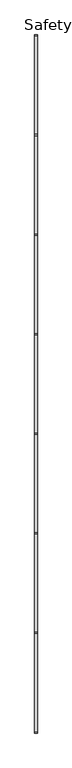
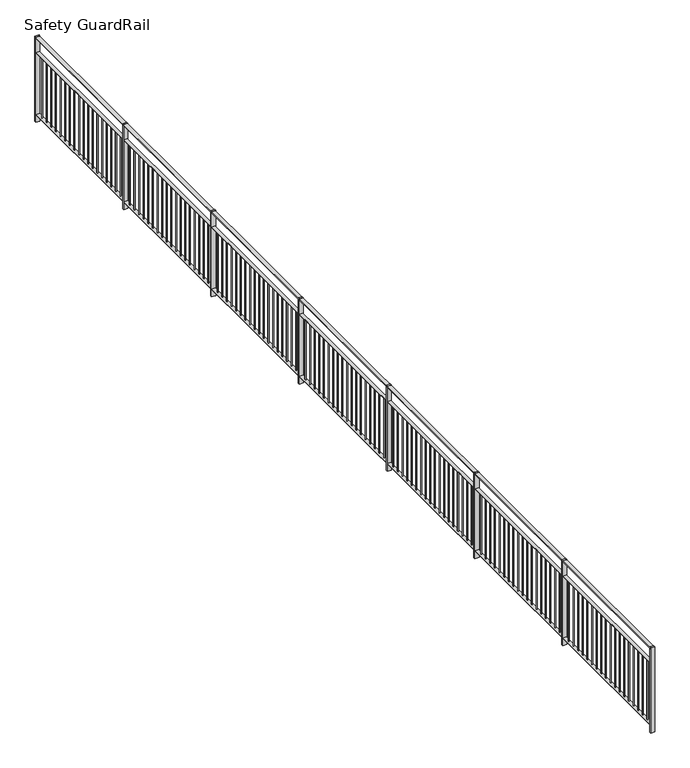
"""IFC4 building model written with IfcOpenShell, lengths in millimetres: railing geometry, Safety GuardRail."""

from ifc_helpers import new_model, si_unit, point, frame, frame_2d, origin, origin_with_axes, place, context, project, spatial, polyline, circle_curve, trimmed, segment, composite_curve, outline, extrude, source, transform, mapped, element, save


def safety_guardrail_ab4735ca(model_context):
    return source(origin(), model_context, "Body", "SweptSolid", [
        extrude(outline(composite_curve([segment(polyline([(1085.0, -7623.1278716), (1092.5, -7623.1278716)]), True, "CONTINUOUS"), segment(trimmed(circle_curve(frame_2d((1032.5, -7648.1278716)), 65.0), [point((1092.5, -7623.1278716))], [point((1092.5, -7673.1278716))], False, "CARTESIAN"), True, "CONTINUOUS"), segment(polyline([(1092.5, -7673.1278716), (1085.0, -7673.1278716), (1085.0, -7623.1278716)]), True, "CONTINUOUS")], self_intersect=False)), frame((0.0, -42074.4215594, 0.0), z_axis=(0.0, 1.0, 0.0), x_axis=(0.0, 0.0, 1.0)), (0.0, 0.0, 1.0), 13000.0),
        extrude(outline(polyline([(-7628.1278716, -42074.4215594), (-7668.1278716, -42074.4215594), (-7668.1278716, -29074.4215594), (-7628.1278716, -29074.4215594), (-7628.1278716, -42074.4215594)])), frame((0.0, 0.0, 892.0), z_axis=(0.0, 0.0, 1.0), x_axis=(1.0, 0.0, 0.0)), (0.0, 0.0, 1.0), 8.0),
        extrude(outline(polyline([(-7628.1278716, -42074.4215594), (-7668.1278716, -42074.4215594), (-7668.1278716, -29074.4215594), (-7628.1278716, -29074.4215594), (-7628.1278716, -42074.4215594)])), frame((0.0, 0.0, 92.0), z_axis=(0.0, 0.0, 1.0), x_axis=(1.0, 0.0, 0.0)), (0.0, 0.0, 1.0), 8.0),
        extrude(outline(polyline([(-7644.1278716, -29176.1659203), (-7652.1278716, -29176.1659203), (-7652.1278716, -29168.1659203), (-7644.1278716, -29168.1659203), (-7644.1278716, -29176.1659203)])), frame((0.0, 0.0, 100.0), z_axis=(0.0, 0.0, 1.0), x_axis=(1.0, 0.0, 0.0)), (0.0, 0.0, 1.0), 792.0),
        extrude(outline(polyline([(-7644.1278716, -29273.9102812), (-7652.1278716, -29273.9102812), (-7652.1278716, -29265.9102812), (-7644.1278716, -29265.9102812), (-7644.1278716, -29273.9102812)])), frame((0.0, 0.0, 100.0), z_axis=(0.0, 0.0, 1.0), x_axis=(1.0, 0.0, 0.0)), (0.0, 0.0, 1.0), 792.0),
        extrude(outline(polyline([(-7644.1278716, -29371.6546421), (-7652.1278716, -29371.6546421), (-7652.1278716, -29363.6546421), (-7644.1278716, -29363.6546421), (-7644.1278716, -29371.6546421)])), frame((0.0, 0.0, 100.0), z_axis=(0.0, 0.0, 1.0), x_axis=(1.0, 0.0, 0.0)), (0.0, 0.0, 1.0), 792.0),
        extrude(outline(polyline([(-7644.1278716, -29469.399003), (-7652.1278716, -29469.399003), (-7652.1278716, -29461.399003), (-7644.1278716, -29461.399003), (-7644.1278716, -29469.399003)])), frame((0.0, 0.0, 100.0), z_axis=(0.0, 0.0, 1.0), x_axis=(1.0, 0.0, 0.0)), (0.0, 0.0, 1.0), 792.0),
        extrude(outline(polyline([(-7644.1278716, -29567.1433639), (-7652.1278716, -29567.1433639), (-7652.1278716, -29559.1433639), (-7644.1278716, -29559.1433639), (-7644.1278716, -29567.1433639)])), frame((0.0, 0.0, 100.0), z_axis=(0.0, 0.0, 1.0), x_axis=(1.0, 0.0, 0.0)), (0.0, 0.0, 1.0), 792.0),
        extrude(outline(polyline([(-7644.1278716, -29664.8877248), (-7652.1278716, -29664.8877248), (-7652.1278716, -29656.8877248), (-7644.1278716, -29656.8877248), (-7644.1278716, -29664.8877248)])), frame((0.0, 0.0, 100.0), z_axis=(0.0, 0.0, 1.0), x_axis=(1.0, 0.0, 0.0)), (0.0, 0.0, 1.0), 792.0),
        extrude(outline(polyline([(-7644.1278716, -29762.6320857), (-7652.1278716, -29762.6320857), (-7652.1278716, -29754.6320857), (-7644.1278716, -29754.6320857), (-7644.1278716, -29762.6320857)])), frame((0.0, 0.0, 100.0), z_axis=(0.0, 0.0, 1.0), x_axis=(1.0, 0.0, 0.0)), (0.0, 0.0, 1.0), 792.0),
        extrude(outline(polyline([(-7644.1278716, -29860.3764466), (-7652.1278716, -29860.3764466), (-7652.1278716, -29852.3764466), (-7644.1278716, -29852.3764466), (-7644.1278716, -29860.3764466)])), frame((0.0, 0.0, 100.0), z_axis=(0.0, 0.0, 1.0), x_axis=(1.0, 0.0, 0.0)), (0.0, 0.0, 1.0), 792.0),
        extrude(outline(polyline([(-7644.1278716, -29958.1208075), (-7652.1278716, -29958.1208075), (-7652.1278716, -29950.1208075), (-7644.1278716, -29950.1208075), (-7644.1278716, -29958.1208075)])), frame((0.0, 0.0, 100.0), z_axis=(0.0, 0.0, 1.0), x_axis=(1.0, 0.0, 0.0)), (0.0, 0.0, 1.0), 792.0),
        extrude(outline(polyline([(-7644.1278716, -30055.8651684), (-7652.1278716, -30055.8651684), (-7652.1278716, -30047.8651684), (-7644.1278716, -30047.8651684), (-7644.1278716, -30055.8651684)])), frame((0.0, 0.0, 100.0), z_axis=(0.0, 0.0, 1.0), x_axis=(1.0, 0.0, 0.0)), (0.0, 0.0, 1.0), 792.0),
        extrude(outline(polyline([(-7644.1278716, -30153.6095293), (-7652.1278716, -30153.6095293), (-7652.1278716, -30145.6095293), (-7644.1278716, -30145.6095293), (-7644.1278716, -30153.6095293)])), frame((0.0, 0.0, 100.0), z_axis=(0.0, 0.0, 1.0), x_axis=(1.0, 0.0, 0.0)), (0.0, 0.0, 1.0), 792.0),
        extrude(outline(polyline([(-7644.1278716, -30251.3538903), (-7652.1278716, -30251.3538903), (-7652.1278716, -30243.3538903), (-7644.1278716, -30243.3538903), (-7644.1278716, -30251.3538903)])), frame((0.0, 0.0, 100.0), z_axis=(0.0, 0.0, 1.0), x_axis=(1.0, 0.0, 0.0)), (0.0, 0.0, 1.0), 792.0),
        extrude(outline(polyline([(-7644.1278716, -30349.0982512), (-7652.1278716, -30349.0982512), (-7652.1278716, -30341.0982512), (-7644.1278716, -30341.0982512), (-7644.1278716, -30349.0982512)])), frame((0.0, 0.0, 100.0), z_axis=(0.0, 0.0, 1.0), x_axis=(1.0, 0.0, 0.0)), (0.0, 0.0, 1.0), 792.0),
        extrude(outline(polyline([(-7644.1278716, -30446.8426121), (-7652.1278716, -30446.8426121), (-7652.1278716, -30438.8426121), (-7644.1278716, -30438.8426121), (-7644.1278716, -30446.8426121)])), frame((0.0, 0.0, 100.0), z_axis=(0.0, 0.0, 1.0), x_axis=(1.0, 0.0, 0.0)), (0.0, 0.0, 1.0), 792.0),
        extrude(outline(polyline([(-7644.1278716, -30544.586973), (-7652.1278716, -30544.586973), (-7652.1278716, -30536.586973), (-7644.1278716, -30536.586973), (-7644.1278716, -30544.586973)])), frame((0.0, 0.0, 100.0), z_axis=(0.0, 0.0, 1.0), x_axis=(1.0, 0.0, 0.0)), (0.0, 0.0, 1.0), 792.0),
        extrude(outline(polyline([(-7644.1278716, -30642.3313339), (-7652.1278716, -30642.3313339), (-7652.1278716, -30634.3313339), (-7644.1278716, -30634.3313339), (-7644.1278716, -30642.3313339)])), frame((0.0, 0.0, 100.0), z_axis=(0.0, 0.0, 1.0), x_axis=(1.0, 0.0, 0.0)), (0.0, 0.0, 1.0), 792.0),
        extrude(outline(polyline([(-7644.1278716, -30740.0756948), (-7652.1278716, -30740.0756948), (-7652.1278716, -30732.0756948), (-7644.1278716, -30732.0756948), (-7644.1278716, -30740.0756948)])), frame((0.0, 0.0, 100.0), z_axis=(0.0, 0.0, 1.0), x_axis=(1.0, 0.0, 0.0)), (0.0, 0.0, 1.0), 792.0),
        extrude(outline(polyline([(-7644.1278716, -30837.8200557), (-7652.1278716, -30837.8200557), (-7652.1278716, -30829.8200557), (-7644.1278716, -30829.8200557), (-7644.1278716, -30837.8200557)])), frame((0.0, 0.0, 100.0), z_axis=(0.0, 0.0, 1.0), x_axis=(1.0, 0.0, 0.0)), (0.0, 0.0, 1.0), 792.0),
        extrude(outline(polyline([(-7623.1278716, -30941.5644166), (-7673.1278716, -30941.5644166), (-7673.1278716, -30921.5644166), (-7623.1278716, -30921.5644166), (-7623.1278716, -30941.5644166)])), origin_with_axes(), (0.0, 0.0, 1.0), 1100.0),
        extrude(outline(polyline([(-7644.1278716, -31033.3087775), (-7652.1278716, -31033.3087775), (-7652.1278716, -31025.3087775), (-7644.1278716, -31025.3087775), (-7644.1278716, -31033.3087775)])), frame((0.0, 0.0, 100.0), z_axis=(0.0, 0.0, 1.0), x_axis=(1.0, 0.0, 0.0)), (0.0, 0.0, 1.0), 792.0),
        extrude(outline(polyline([(-7644.1278716, -31131.0531384), (-7652.1278716, -31131.0531384), (-7652.1278716, -31123.0531384), (-7644.1278716, -31123.0531384), (-7644.1278716, -31131.0531384)])), frame((0.0, 0.0, 100.0), z_axis=(0.0, 0.0, 1.0), x_axis=(1.0, 0.0, 0.0)), (0.0, 0.0, 1.0), 792.0),
        extrude(outline(polyline([(-7644.1278716, -31228.7974993), (-7652.1278716, -31228.7974993), (-7652.1278716, -31220.7974993), (-7644.1278716, -31220.7974993), (-7644.1278716, -31228.7974993)])), frame((0.0, 0.0, 100.0), z_axis=(0.0, 0.0, 1.0), x_axis=(1.0, 0.0, 0.0)), (0.0, 0.0, 1.0), 792.0),
        extrude(outline(polyline([(-7644.1278716, -31326.5418602), (-7652.1278716, -31326.5418602), (-7652.1278716, -31318.5418602), (-7644.1278716, -31318.5418602), (-7644.1278716, -31326.5418602)])), frame((0.0, 0.0, 100.0), z_axis=(0.0, 0.0, 1.0), x_axis=(1.0, 0.0, 0.0)), (0.0, 0.0, 1.0), 792.0),
        extrude(outline(polyline([(-7644.1278716, -31424.2862211), (-7652.1278716, -31424.2862211), (-7652.1278716, -31416.2862211), (-7644.1278716, -31416.2862211), (-7644.1278716, -31424.2862211)])), frame((0.0, 0.0, 100.0), z_axis=(0.0, 0.0, 1.0), x_axis=(1.0, 0.0, 0.0)), (0.0, 0.0, 1.0), 792.0),
        extrude(outline(polyline([(-7644.1278716, -31522.030582), (-7652.1278716, -31522.030582), (-7652.1278716, -31514.030582), (-7644.1278716, -31514.030582), (-7644.1278716, -31522.030582)])), frame((0.0, 0.0, 100.0), z_axis=(0.0, 0.0, 1.0), x_axis=(1.0, 0.0, 0.0)), (0.0, 0.0, 1.0), 792.0),
        extrude(outline(polyline([(-7644.1278716, -31619.7749429), (-7652.1278716, -31619.7749429), (-7652.1278716, -31611.7749429), (-7644.1278716, -31611.7749429), (-7644.1278716, -31619.7749429)])), frame((0.0, 0.0, 100.0), z_axis=(0.0, 0.0, 1.0), x_axis=(1.0, 0.0, 0.0)), (0.0, 0.0, 1.0), 792.0),
        extrude(outline(polyline([(-7644.1278716, -31717.5193038), (-7652.1278716, -31717.5193038), (-7652.1278716, -31709.5193038), (-7644.1278716, -31709.5193038), (-7644.1278716, -31717.5193038)])), frame((0.0, 0.0, 100.0), z_axis=(0.0, 0.0, 1.0), x_axis=(1.0, 0.0, 0.0)), (0.0, 0.0, 1.0), 792.0),
        extrude(outline(polyline([(-7644.1278716, -31815.2636647), (-7652.1278716, -31815.2636647), (-7652.1278716, -31807.2636647), (-7644.1278716, -31807.2636647), (-7644.1278716, -31815.2636647)])), frame((0.0, 0.0, 100.0), z_axis=(0.0, 0.0, 1.0), x_axis=(1.0, 0.0, 0.0)), (0.0, 0.0, 1.0), 792.0),
        extrude(outline(polyline([(-7644.1278716, -31913.0080256), (-7652.1278716, -31913.0080256), (-7652.1278716, -31905.0080256), (-7644.1278716, -31905.0080256), (-7644.1278716, -31913.0080256)])), frame((0.0, 0.0, 100.0), z_axis=(0.0, 0.0, 1.0), x_axis=(1.0, 0.0, 0.0)), (0.0, 0.0, 1.0), 792.0),
        extrude(outline(polyline([(-7644.1278716, -32010.7523865), (-7652.1278716, -32010.7523865), (-7652.1278716, -32002.7523865), (-7644.1278716, -32002.7523865), (-7644.1278716, -32010.7523865)])), frame((0.0, 0.0, 100.0), z_axis=(0.0, 0.0, 1.0), x_axis=(1.0, 0.0, 0.0)), (0.0, 0.0, 1.0), 792.0),
        extrude(outline(polyline([(-7644.1278716, -32108.4967474), (-7652.1278716, -32108.4967474), (-7652.1278716, -32100.4967474), (-7644.1278716, -32100.4967474), (-7644.1278716, -32108.4967474)])), frame((0.0, 0.0, 100.0), z_axis=(0.0, 0.0, 1.0), x_axis=(1.0, 0.0, 0.0)), (0.0, 0.0, 1.0), 792.0),
        extrude(outline(polyline([(-7644.1278716, -32206.2411083), (-7652.1278716, -32206.2411083), (-7652.1278716, -32198.2411083), (-7644.1278716, -32198.2411083), (-7644.1278716, -32206.2411083)])), frame((0.0, 0.0, 100.0), z_axis=(0.0, 0.0, 1.0), x_axis=(1.0, 0.0, 0.0)), (0.0, 0.0, 1.0), 792.0),
        extrude(outline(polyline([(-7644.1278716, -32303.9854692), (-7652.1278716, -32303.9854692), (-7652.1278716, -32295.9854692), (-7644.1278716, -32295.9854692), (-7644.1278716, -32303.9854692)])), frame((0.0, 0.0, 100.0), z_axis=(0.0, 0.0, 1.0), x_axis=(1.0, 0.0, 0.0)), (0.0, 0.0, 1.0), 792.0),
        extrude(outline(polyline([(-7644.1278716, -32401.7298301), (-7652.1278716, -32401.7298301), (-7652.1278716, -32393.7298301), (-7644.1278716, -32393.7298301), (-7644.1278716, -32401.7298301)])), frame((0.0, 0.0, 100.0), z_axis=(0.0, 0.0, 1.0), x_axis=(1.0, 0.0, 0.0)), (0.0, 0.0, 1.0), 792.0),
        extrude(outline(polyline([(-7644.1278716, -32499.474191), (-7652.1278716, -32499.474191), (-7652.1278716, -32491.474191), (-7644.1278716, -32491.474191), (-7644.1278716, -32499.474191)])), frame((0.0, 0.0, 100.0), z_axis=(0.0, 0.0, 1.0), x_axis=(1.0, 0.0, 0.0)), (0.0, 0.0, 1.0), 792.0),
        extrude(outline(polyline([(-7644.1278716, -32597.2185519), (-7652.1278716, -32597.2185519), (-7652.1278716, -32589.2185519), (-7644.1278716, -32589.2185519), (-7644.1278716, -32597.2185519)])), frame((0.0, 0.0, 100.0), z_axis=(0.0, 0.0, 1.0), x_axis=(1.0, 0.0, 0.0)), (0.0, 0.0, 1.0), 792.0),
        extrude(outline(polyline([(-7644.1278716, -32694.9629128), (-7652.1278716, -32694.9629128), (-7652.1278716, -32686.9629128), (-7644.1278716, -32686.9629128), (-7644.1278716, -32694.9629128)])), frame((0.0, 0.0, 100.0), z_axis=(0.0, 0.0, 1.0), x_axis=(1.0, 0.0, 0.0)), (0.0, 0.0, 1.0), 792.0),
        extrude(outline(polyline([(-7623.1278716, -32798.7072737), (-7673.1278716, -32798.7072737), (-7673.1278716, -32778.7072737), (-7623.1278716, -32778.7072737), (-7623.1278716, -32798.7072737)])), origin_with_axes(), (0.0, 0.0, 1.0), 1100.0),
        extrude(outline(polyline([(-7644.1278716, -32890.4516346), (-7652.1278716, -32890.4516346), (-7652.1278716, -32882.4516346), (-7644.1278716, -32882.4516346), (-7644.1278716, -32890.4516346)])), frame((0.0, 0.0, 100.0), z_axis=(0.0, 0.0, 1.0), x_axis=(1.0, 0.0, 0.0)), (0.0, 0.0, 1.0), 792.0),
        extrude(outline(polyline([(-7644.1278716, -32988.1959955), (-7652.1278716, -32988.1959955), (-7652.1278716, -32980.1959955), (-7644.1278716, -32980.1959955), (-7644.1278716, -32988.1959955)])), frame((0.0, 0.0, 100.0), z_axis=(0.0, 0.0, 1.0), x_axis=(1.0, 0.0, 0.0)), (0.0, 0.0, 1.0), 792.0),
        extrude(outline(polyline([(-7644.1278716, -33085.9403564), (-7652.1278716, -33085.9403564), (-7652.1278716, -33077.9403564), (-7644.1278716, -33077.9403564), (-7644.1278716, -33085.9403564)])), frame((0.0, 0.0, 100.0), z_axis=(0.0, 0.0, 1.0), x_axis=(1.0, 0.0, 0.0)), (0.0, 0.0, 1.0), 792.0),
        extrude(outline(polyline([(-7644.1278716, -33183.6847173), (-7652.1278716, -33183.6847173), (-7652.1278716, -33175.6847173), (-7644.1278716, -33175.6847173), (-7644.1278716, -33183.6847173)])), frame((0.0, 0.0, 100.0), z_axis=(0.0, 0.0, 1.0), x_axis=(1.0, 0.0, 0.0)), (0.0, 0.0, 1.0), 792.0),
        extrude(outline(polyline([(-7644.1278716, -33281.4290782), (-7652.1278716, -33281.4290782), (-7652.1278716, -33273.4290782), (-7644.1278716, -33273.4290782), (-7644.1278716, -33281.4290782)])), frame((0.0, 0.0, 100.0), z_axis=(0.0, 0.0, 1.0), x_axis=(1.0, 0.0, 0.0)), (0.0, 0.0, 1.0), 792.0),
        extrude(outline(polyline([(-7644.1278716, -33379.1734391), (-7652.1278716, -33379.1734391), (-7652.1278716, -33371.1734391), (-7644.1278716, -33371.1734391), (-7644.1278716, -33379.1734391)])), frame((0.0, 0.0, 100.0), z_axis=(0.0, 0.0, 1.0), x_axis=(1.0, 0.0, 0.0)), (0.0, 0.0, 1.0), 792.0),
        extrude(outline(polyline([(-7644.1278716, -33476.9178), (-7652.1278716, -33476.9178), (-7652.1278716, -33468.9178), (-7644.1278716, -33468.9178), (-7644.1278716, -33476.9178)])), frame((0.0, 0.0, 100.0), z_axis=(0.0, 0.0, 1.0), x_axis=(1.0, 0.0, 0.0)), (0.0, 0.0, 1.0), 792.0),
        extrude(outline(polyline([(-7644.1278716, -33574.6621609), (-7652.1278716, -33574.6621609), (-7652.1278716, -33566.6621609), (-7644.1278716, -33566.6621609), (-7644.1278716, -33574.6621609)])), frame((0.0, 0.0, 100.0), z_axis=(0.0, 0.0, 1.0), x_axis=(1.0, 0.0, 0.0)), (0.0, 0.0, 1.0), 792.0),
        extrude(outline(polyline([(-7644.1278716, -33672.4065218), (-7652.1278716, -33672.4065218), (-7652.1278716, -33664.4065218), (-7644.1278716, -33664.4065218), (-7644.1278716, -33672.4065218)])), frame((0.0, 0.0, 100.0), z_axis=(0.0, 0.0, 1.0), x_axis=(1.0, 0.0, 0.0)), (0.0, 0.0, 1.0), 792.0),
        extrude(outline(polyline([(-7644.1278716, -33770.1508827), (-7652.1278716, -33770.1508827), (-7652.1278716, -33762.1508827), (-7644.1278716, -33762.1508827), (-7644.1278716, -33770.1508827)])), frame((0.0, 0.0, 100.0), z_axis=(0.0, 0.0, 1.0), x_axis=(1.0, 0.0, 0.0)), (0.0, 0.0, 1.0), 792.0),
        extrude(outline(polyline([(-7644.1278716, -33867.8952436), (-7652.1278716, -33867.8952436), (-7652.1278716, -33859.8952436), (-7644.1278716, -33859.8952436), (-7644.1278716, -33867.8952436)])), frame((0.0, 0.0, 100.0), z_axis=(0.0, 0.0, 1.0), x_axis=(1.0, 0.0, 0.0)), (0.0, 0.0, 1.0), 792.0),
        extrude(outline(polyline([(-7644.1278716, -33965.6396045), (-7652.1278716, -33965.6396045), (-7652.1278716, -33957.6396045), (-7644.1278716, -33957.6396045), (-7644.1278716, -33965.6396045)])), frame((0.0, 0.0, 100.0), z_axis=(0.0, 0.0, 1.0), x_axis=(1.0, 0.0, 0.0)), (0.0, 0.0, 1.0), 792.0),
        extrude(outline(polyline([(-7644.1278716, -34063.3839654), (-7652.1278716, -34063.3839654), (-7652.1278716, -34055.3839654), (-7644.1278716, -34055.3839654), (-7644.1278716, -34063.3839654)])), frame((0.0, 0.0, 100.0), z_axis=(0.0, 0.0, 1.0), x_axis=(1.0, 0.0, 0.0)), (0.0, 0.0, 1.0), 792.0),
        extrude(outline(polyline([(-7644.1278716, -34161.1283263), (-7652.1278716, -34161.1283263), (-7652.1278716, -34153.1283263), (-7644.1278716, -34153.1283263), (-7644.1278716, -34161.1283263)])), frame((0.0, 0.0, 100.0), z_axis=(0.0, 0.0, 1.0), x_axis=(1.0, 0.0, 0.0)), (0.0, 0.0, 1.0), 792.0),
        extrude(outline(polyline([(-7644.1278716, -34258.8726872), (-7652.1278716, -34258.8726872), (-7652.1278716, -34250.8726872), (-7644.1278716, -34250.8726872), (-7644.1278716, -34258.8726872)])), frame((0.0, 0.0, 100.0), z_axis=(0.0, 0.0, 1.0), x_axis=(1.0, 0.0, 0.0)), (0.0, 0.0, 1.0), 792.0),
        extrude(outline(polyline([(-7644.1278716, -34356.6170481), (-7652.1278716, -34356.6170481), (-7652.1278716, -34348.6170481), (-7644.1278716, -34348.6170481), (-7644.1278716, -34356.6170481)])), frame((0.0, 0.0, 100.0), z_axis=(0.0, 0.0, 1.0), x_axis=(1.0, 0.0, 0.0)), (0.0, 0.0, 1.0), 792.0),
        extrude(outline(polyline([(-7644.1278716, -34454.361409), (-7652.1278716, -34454.361409), (-7652.1278716, -34446.361409), (-7644.1278716, -34446.361409), (-7644.1278716, -34454.361409)])), frame((0.0, 0.0, 100.0), z_axis=(0.0, 0.0, 1.0), x_axis=(1.0, 0.0, 0.0)), (0.0, 0.0, 1.0), 792.0),
        extrude(outline(polyline([(-7644.1278716, -34552.10577), (-7652.1278716, -34552.10577), (-7652.1278716, -34544.10577), (-7644.1278716, -34544.10577), (-7644.1278716, -34552.10577)])), frame((0.0, 0.0, 100.0), z_axis=(0.0, 0.0, 1.0), x_axis=(1.0, 0.0, 0.0)), (0.0, 0.0, 1.0), 792.0),
        extrude(outline(polyline([(-7623.1278716, -34655.8501309), (-7673.1278716, -34655.8501309), (-7673.1278716, -34635.8501309), (-7623.1278716, -34635.8501309), (-7623.1278716, -34655.8501309)])), origin_with_axes(), (0.0, 0.0, 1.0), 1100.0),
        extrude(outline(polyline([(-7644.1278716, -34747.5944918), (-7652.1278716, -34747.5944918), (-7652.1278716, -34739.5944918), (-7644.1278716, -34739.5944918), (-7644.1278716, -34747.5944918)])), frame((0.0, 0.0, 100.0), z_axis=(0.0, 0.0, 1.0), x_axis=(1.0, 0.0, 0.0)), (0.0, 0.0, 1.0), 792.0),
        extrude(outline(polyline([(-7644.1278716, -34845.3388527), (-7652.1278716, -34845.3388527), (-7652.1278716, -34837.3388527), (-7644.1278716, -34837.3388527), (-7644.1278716, -34845.3388527)])), frame((0.0, 0.0, 100.0), z_axis=(0.0, 0.0, 1.0), x_axis=(1.0, 0.0, 0.0)), (0.0, 0.0, 1.0), 792.0),
        extrude(outline(polyline([(-7644.1278716, -34943.0832136), (-7652.1278716, -34943.0832136), (-7652.1278716, -34935.0832136), (-7644.1278716, -34935.0832136), (-7644.1278716, -34943.0832136)])), frame((0.0, 0.0, 100.0), z_axis=(0.0, 0.0, 1.0), x_axis=(1.0, 0.0, 0.0)), (0.0, 0.0, 1.0), 792.0),
        extrude(outline(polyline([(-7644.1278716, -35040.8275745), (-7652.1278716, -35040.8275745), (-7652.1278716, -35032.8275745), (-7644.1278716, -35032.8275745), (-7644.1278716, -35040.8275745)])), frame((0.0, 0.0, 100.0), z_axis=(0.0, 0.0, 1.0), x_axis=(1.0, 0.0, 0.0)), (0.0, 0.0, 1.0), 792.0),
        extrude(outline(polyline([(-7644.1278716, -35138.5719354), (-7652.1278716, -35138.5719354), (-7652.1278716, -35130.5719354), (-7644.1278716, -35130.5719354), (-7644.1278716, -35138.5719354)])), frame((0.0, 0.0, 100.0), z_axis=(0.0, 0.0, 1.0), x_axis=(1.0, 0.0, 0.0)), (0.0, 0.0, 1.0), 792.0),
        extrude(outline(polyline([(-7644.1278716, -35236.3162963), (-7652.1278716, -35236.3162963), (-7652.1278716, -35228.3162963), (-7644.1278716, -35228.3162963), (-7644.1278716, -35236.3162963)])), frame((0.0, 0.0, 100.0), z_axis=(0.0, 0.0, 1.0), x_axis=(1.0, 0.0, 0.0)), (0.0, 0.0, 1.0), 792.0),
        extrude(outline(polyline([(-7644.1278716, -35334.0606572), (-7652.1278716, -35334.0606572), (-7652.1278716, -35326.0606572), (-7644.1278716, -35326.0606572), (-7644.1278716, -35334.0606572)])), frame((0.0, 0.0, 100.0), z_axis=(0.0, 0.0, 1.0), x_axis=(1.0, 0.0, 0.0)), (0.0, 0.0, 1.0), 792.0),
        extrude(outline(polyline([(-7644.1278716, -35431.8050181), (-7652.1278716, -35431.8050181), (-7652.1278716, -35423.8050181), (-7644.1278716, -35423.8050181), (-7644.1278716, -35431.8050181)])), frame((0.0, 0.0, 100.0), z_axis=(0.0, 0.0, 1.0), x_axis=(1.0, 0.0, 0.0)), (0.0, 0.0, 1.0), 792.0),
        extrude(outline(polyline([(-7644.1278716, -35529.549379), (-7652.1278716, -35529.549379), (-7652.1278716, -35521.549379), (-7644.1278716, -35521.549379), (-7644.1278716, -35529.549379)])), frame((0.0, 0.0, 100.0), z_axis=(0.0, 0.0, 1.0), x_axis=(1.0, 0.0, 0.0)), (0.0, 0.0, 1.0), 792.0),
        extrude(outline(polyline([(-7644.1278716, -35627.2937399), (-7652.1278716, -35627.2937399), (-7652.1278716, -35619.2937399), (-7644.1278716, -35619.2937399), (-7644.1278716, -35627.2937399)])), frame((0.0, 0.0, 100.0), z_axis=(0.0, 0.0, 1.0), x_axis=(1.0, 0.0, 0.0)), (0.0, 0.0, 1.0), 792.0),
        extrude(outline(polyline([(-7644.1278716, -35725.0381008), (-7652.1278716, -35725.0381008), (-7652.1278716, -35717.0381008), (-7644.1278716, -35717.0381008), (-7644.1278716, -35725.0381008)])), frame((0.0, 0.0, 100.0), z_axis=(0.0, 0.0, 1.0), x_axis=(1.0, 0.0, 0.0)), (0.0, 0.0, 1.0), 792.0),
        extrude(outline(polyline([(-7644.1278716, -35822.7824617), (-7652.1278716, -35822.7824617), (-7652.1278716, -35814.7824617), (-7644.1278716, -35814.7824617), (-7644.1278716, -35822.7824617)])), frame((0.0, 0.0, 100.0), z_axis=(0.0, 0.0, 1.0), x_axis=(1.0, 0.0, 0.0)), (0.0, 0.0, 1.0), 792.0),
        extrude(outline(polyline([(-7644.1278716, -35920.5268226), (-7652.1278716, -35920.5268226), (-7652.1278716, -35912.5268226), (-7644.1278716, -35912.5268226), (-7644.1278716, -35920.5268226)])), frame((0.0, 0.0, 100.0), z_axis=(0.0, 0.0, 1.0), x_axis=(1.0, 0.0, 0.0)), (0.0, 0.0, 1.0), 792.0),
        extrude(outline(polyline([(-7644.1278716, -36018.2711835), (-7652.1278716, -36018.2711835), (-7652.1278716, -36010.2711835), (-7644.1278716, -36010.2711835), (-7644.1278716, -36018.2711835)])), frame((0.0, 0.0, 100.0), z_axis=(0.0, 0.0, 1.0), x_axis=(1.0, 0.0, 0.0)), (0.0, 0.0, 1.0), 792.0),
        extrude(outline(polyline([(-7644.1278716, -36116.0155444), (-7652.1278716, -36116.0155444), (-7652.1278716, -36108.0155444), (-7644.1278716, -36108.0155444), (-7644.1278716, -36116.0155444)])), frame((0.0, 0.0, 100.0), z_axis=(0.0, 0.0, 1.0), x_axis=(1.0, 0.0, 0.0)), (0.0, 0.0, 1.0), 792.0),
        extrude(outline(polyline([(-7644.1278716, -36213.7599053), (-7652.1278716, -36213.7599053), (-7652.1278716, -36205.7599053), (-7644.1278716, -36205.7599053), (-7644.1278716, -36213.7599053)])), frame((0.0, 0.0, 100.0), z_axis=(0.0, 0.0, 1.0), x_axis=(1.0, 0.0, 0.0)), (0.0, 0.0, 1.0), 792.0),
        extrude(outline(polyline([(-7644.1278716, -36311.5042662), (-7652.1278716, -36311.5042662), (-7652.1278716, -36303.5042662), (-7644.1278716, -36303.5042662), (-7644.1278716, -36311.5042662)])), frame((0.0, 0.0, 100.0), z_axis=(0.0, 0.0, 1.0), x_axis=(1.0, 0.0, 0.0)), (0.0, 0.0, 1.0), 792.0),
        extrude(outline(polyline([(-7644.1278716, -36409.2486271), (-7652.1278716, -36409.2486271), (-7652.1278716, -36401.2486271), (-7644.1278716, -36401.2486271), (-7644.1278716, -36409.2486271)])), frame((0.0, 0.0, 100.0), z_axis=(0.0, 0.0, 1.0), x_axis=(1.0, 0.0, 0.0)), (0.0, 0.0, 1.0), 792.0),
        extrude(outline(polyline([(-7623.1278716, -36512.992988), (-7673.1278716, -36512.992988), (-7673.1278716, -36492.992988), (-7623.1278716, -36492.992988), (-7623.1278716, -36512.992988)])), origin_with_axes(), (0.0, 0.0, 1.0), 1100.0),
        extrude(outline(polyline([(-7644.1278716, -36604.7373489), (-7652.1278716, -36604.7373489), (-7652.1278716, -36596.7373489), (-7644.1278716, -36596.7373489), (-7644.1278716, -36604.7373489)])), frame((0.0, 0.0, 100.0), z_axis=(0.0, 0.0, 1.0), x_axis=(1.0, 0.0, 0.0)), (0.0, 0.0, 1.0), 792.0),
        extrude(outline(polyline([(-7644.1278716, -36702.4817098), (-7652.1278716, -36702.4817098), (-7652.1278716, -36694.4817098), (-7644.1278716, -36694.4817098), (-7644.1278716, -36702.4817098)])), frame((0.0, 0.0, 100.0), z_axis=(0.0, 0.0, 1.0), x_axis=(1.0, 0.0, 0.0)), (0.0, 0.0, 1.0), 792.0),
        extrude(outline(polyline([(-7644.1278716, -36800.2260707), (-7652.1278716, -36800.2260707), (-7652.1278716, -36792.2260707), (-7644.1278716, -36792.2260707), (-7644.1278716, -36800.2260707)])), frame((0.0, 0.0, 100.0), z_axis=(0.0, 0.0, 1.0), x_axis=(1.0, 0.0, 0.0)), (0.0, 0.0, 1.0), 792.0),
        extrude(outline(polyline([(-7644.1278716, -36897.9704316), (-7652.1278716, -36897.9704316), (-7652.1278716, -36889.9704316), (-7644.1278716, -36889.9704316), (-7644.1278716, -36897.9704316)])), frame((0.0, 0.0, 100.0), z_axis=(0.0, 0.0, 1.0), x_axis=(1.0, 0.0, 0.0)), (0.0, 0.0, 1.0), 792.0),
        extrude(outline(polyline([(-7644.1278716, -36995.7147925), (-7652.1278716, -36995.7147925), (-7652.1278716, -36987.7147925), (-7644.1278716, -36987.7147925), (-7644.1278716, -36995.7147925)])), frame((0.0, 0.0, 100.0), z_axis=(0.0, 0.0, 1.0), x_axis=(1.0, 0.0, 0.0)), (0.0, 0.0, 1.0), 792.0),
        extrude(outline(polyline([(-7644.1278716, -37093.4591534), (-7652.1278716, -37093.4591534), (-7652.1278716, -37085.4591534), (-7644.1278716, -37085.4591534), (-7644.1278716, -37093.4591534)])), frame((0.0, 0.0, 100.0), z_axis=(0.0, 0.0, 1.0), x_axis=(1.0, 0.0, 0.0)), (0.0, 0.0, 1.0), 792.0),
        extrude(outline(polyline([(-7644.1278716, -37191.2035143), (-7652.1278716, -37191.2035143), (-7652.1278716, -37183.2035143), (-7644.1278716, -37183.2035143), (-7644.1278716, -37191.2035143)])), frame((0.0, 0.0, 100.0), z_axis=(0.0, 0.0, 1.0), x_axis=(1.0, 0.0, 0.0)), (0.0, 0.0, 1.0), 792.0),
        extrude(outline(polyline([(-7644.1278716, -37288.9478752), (-7652.1278716, -37288.9478752), (-7652.1278716, -37280.9478752), (-7644.1278716, -37280.9478752), (-7644.1278716, -37288.9478752)])), frame((0.0, 0.0, 100.0), z_axis=(0.0, 0.0, 1.0), x_axis=(1.0, 0.0, 0.0)), (0.0, 0.0, 1.0), 792.0),
        extrude(outline(polyline([(-7644.1278716, -37386.6922361), (-7652.1278716, -37386.6922361), (-7652.1278716, -37378.6922361), (-7644.1278716, -37378.6922361), (-7644.1278716, -37386.6922361)])), frame((0.0, 0.0, 100.0), z_axis=(0.0, 0.0, 1.0), x_axis=(1.0, 0.0, 0.0)), (0.0, 0.0, 1.0), 792.0),
        extrude(outline(polyline([(-7644.1278716, -37484.436597), (-7652.1278716, -37484.436597), (-7652.1278716, -37476.436597), (-7644.1278716, -37476.436597), (-7644.1278716, -37484.436597)])), frame((0.0, 0.0, 100.0), z_axis=(0.0, 0.0, 1.0), x_axis=(1.0, 0.0, 0.0)), (0.0, 0.0, 1.0), 792.0),
        extrude(outline(polyline([(-7644.1278716, -37582.1809579), (-7652.1278716, -37582.1809579), (-7652.1278716, -37574.1809579), (-7644.1278716, -37574.1809579), (-7644.1278716, -37582.1809579)])), frame((0.0, 0.0, 100.0), z_axis=(0.0, 0.0, 1.0), x_axis=(1.0, 0.0, 0.0)), (0.0, 0.0, 1.0), 792.0),
        extrude(outline(polyline([(-7644.1278716, -37679.9253188), (-7652.1278716, -37679.9253188), (-7652.1278716, -37671.9253188), (-7644.1278716, -37671.9253188), (-7644.1278716, -37679.9253188)])), frame((0.0, 0.0, 100.0), z_axis=(0.0, 0.0, 1.0), x_axis=(1.0, 0.0, 0.0)), (0.0, 0.0, 1.0), 792.0),
        extrude(outline(polyline([(-7644.1278716, -37777.6696797), (-7652.1278716, -37777.6696797), (-7652.1278716, -37769.6696797), (-7644.1278716, -37769.6696797), (-7644.1278716, -37777.6696797)])), frame((0.0, 0.0, 100.0), z_axis=(0.0, 0.0, 1.0), x_axis=(1.0, 0.0, 0.0)), (0.0, 0.0, 1.0), 792.0),
        extrude(outline(polyline([(-7644.1278716, -37875.4140406), (-7652.1278716, -37875.4140406), (-7652.1278716, -37867.4140406), (-7644.1278716, -37867.4140406), (-7644.1278716, -37875.4140406)])), frame((0.0, 0.0, 100.0), z_axis=(0.0, 0.0, 1.0), x_axis=(1.0, 0.0, 0.0)), (0.0, 0.0, 1.0), 792.0),
        extrude(outline(polyline([(-7644.1278716, -37973.1584015), (-7652.1278716, -37973.1584015), (-7652.1278716, -37965.1584015), (-7644.1278716, -37965.1584015), (-7644.1278716, -37973.1584015)])), frame((0.0, 0.0, 100.0), z_axis=(0.0, 0.0, 1.0), x_axis=(1.0, 0.0, 0.0)), (0.0, 0.0, 1.0), 792.0),
        extrude(outline(polyline([(-7644.1278716, -38070.9027624), (-7652.1278716, -38070.9027624), (-7652.1278716, -38062.9027624), (-7644.1278716, -38062.9027624), (-7644.1278716, -38070.9027624)])), frame((0.0, 0.0, 100.0), z_axis=(0.0, 0.0, 1.0), x_axis=(1.0, 0.0, 0.0)), (0.0, 0.0, 1.0), 792.0),
        extrude(outline(polyline([(-7644.1278716, -38168.6471233), (-7652.1278716, -38168.6471233), (-7652.1278716, -38160.6471233), (-7644.1278716, -38160.6471233), (-7644.1278716, -38168.6471233)])), frame((0.0, 0.0, 100.0), z_axis=(0.0, 0.0, 1.0), x_axis=(1.0, 0.0, 0.0)), (0.0, 0.0, 1.0), 792.0),
        extrude(outline(polyline([(-7644.1278716, -38266.3914842), (-7652.1278716, -38266.3914842), (-7652.1278716, -38258.3914842), (-7644.1278716, -38258.3914842), (-7644.1278716, -38266.3914842)])), frame((0.0, 0.0, 100.0), z_axis=(0.0, 0.0, 1.0), x_axis=(1.0, 0.0, 0.0)), (0.0, 0.0, 1.0), 792.0),
        extrude(outline(polyline([(-7623.1278716, -38370.1358451), (-7673.1278716, -38370.1358451), (-7673.1278716, -38350.1358451), (-7623.1278716, -38350.1358451), (-7623.1278716, -38370.1358451)])), origin_with_axes(), (0.0, 0.0, 1.0), 1100.0),
        extrude(outline(polyline([(-7644.1278716, -38461.880206), (-7652.1278716, -38461.880206), (-7652.1278716, -38453.880206), (-7644.1278716, -38453.880206), (-7644.1278716, -38461.880206)])), frame((0.0, 0.0, 100.0), z_axis=(0.0, 0.0, 1.0), x_axis=(1.0, 0.0, 0.0)), (0.0, 0.0, 1.0), 792.0),
        extrude(outline(polyline([(-7644.1278716, -38559.6245669), (-7652.1278716, -38559.6245669), (-7652.1278716, -38551.6245669), (-7644.1278716, -38551.6245669), (-7644.1278716, -38559.6245669)])), frame((0.0, 0.0, 100.0), z_axis=(0.0, 0.0, 1.0), x_axis=(1.0, 0.0, 0.0)), (0.0, 0.0, 1.0), 792.0),
        extrude(outline(polyline([(-7644.1278716, -38657.3689278), (-7652.1278716, -38657.3689278), (-7652.1278716, -38649.3689278), (-7644.1278716, -38649.3689278), (-7644.1278716, -38657.3689278)])), frame((0.0, 0.0, 100.0), z_axis=(0.0, 0.0, 1.0), x_axis=(1.0, 0.0, 0.0)), (0.0, 0.0, 1.0), 792.0),
        extrude(outline(polyline([(-7644.1278716, -38755.1132887), (-7652.1278716, -38755.1132887), (-7652.1278716, -38747.1132887), (-7644.1278716, -38747.1132887), (-7644.1278716, -38755.1132887)])), frame((0.0, 0.0, 100.0), z_axis=(0.0, 0.0, 1.0), x_axis=(1.0, 0.0, 0.0)), (0.0, 0.0, 1.0), 792.0),
        extrude(outline(polyline([(-7644.1278716, -38852.8576497), (-7652.1278716, -38852.8576497), (-7652.1278716, -38844.8576497), (-7644.1278716, -38844.8576497), (-7644.1278716, -38852.8576497)])), frame((0.0, 0.0, 100.0), z_axis=(0.0, 0.0, 1.0), x_axis=(1.0, 0.0, 0.0)), (0.0, 0.0, 1.0), 792.0),
        extrude(outline(polyline([(-7644.1278716, -38950.6020106), (-7652.1278716, -38950.6020106), (-7652.1278716, -38942.6020106), (-7644.1278716, -38942.6020106), (-7644.1278716, -38950.6020106)])), frame((0.0, 0.0, 100.0), z_axis=(0.0, 0.0, 1.0), x_axis=(1.0, 0.0, 0.0)), (0.0, 0.0, 1.0), 792.0),
        extrude(outline(polyline([(-7644.1278716, -39048.3463715), (-7652.1278716, -39048.3463715), (-7652.1278716, -39040.3463715), (-7644.1278716, -39040.3463715), (-7644.1278716, -39048.3463715)])), frame((0.0, 0.0, 100.0), z_axis=(0.0, 0.0, 1.0), x_axis=(1.0, 0.0, 0.0)), (0.0, 0.0, 1.0), 792.0),
        extrude(outline(polyline([(-7644.1278716, -39146.0907324), (-7652.1278716, -39146.0907324), (-7652.1278716, -39138.0907324), (-7644.1278716, -39138.0907324), (-7644.1278716, -39146.0907324)])), frame((0.0, 0.0, 100.0), z_axis=(0.0, 0.0, 1.0), x_axis=(1.0, 0.0, 0.0)), (0.0, 0.0, 1.0), 792.0),
        extrude(outline(polyline([(-7644.1278716, -39243.8350933), (-7652.1278716, -39243.8350933), (-7652.1278716, -39235.8350933), (-7644.1278716, -39235.8350933), (-7644.1278716, -39243.8350933)])), frame((0.0, 0.0, 100.0), z_axis=(0.0, 0.0, 1.0), x_axis=(1.0, 0.0, 0.0)), (0.0, 0.0, 1.0), 792.0),
        extrude(outline(polyline([(-7644.1278716, -39341.5794542), (-7652.1278716, -39341.5794542), (-7652.1278716, -39333.5794542), (-7644.1278716, -39333.5794542), (-7644.1278716, -39341.5794542)])), frame((0.0, 0.0, 100.0), z_axis=(0.0, 0.0, 1.0), x_axis=(1.0, 0.0, 0.0)), (0.0, 0.0, 1.0), 792.0),
        extrude(outline(polyline([(-7644.1278716, -39439.3238151), (-7652.1278716, -39439.3238151), (-7652.1278716, -39431.3238151), (-7644.1278716, -39431.3238151), (-7644.1278716, -39439.3238151)])), frame((0.0, 0.0, 100.0), z_axis=(0.0, 0.0, 1.0), x_axis=(1.0, 0.0, 0.0)), (0.0, 0.0, 1.0), 792.0),
        extrude(outline(polyline([(-7644.1278716, -39537.068176), (-7652.1278716, -39537.068176), (-7652.1278716, -39529.068176), (-7644.1278716, -39529.068176), (-7644.1278716, -39537.068176)])), frame((0.0, 0.0, 100.0), z_axis=(0.0, 0.0, 1.0), x_axis=(1.0, 0.0, 0.0)), (0.0, 0.0, 1.0), 792.0),
        extrude(outline(polyline([(-7644.1278716, -39634.8125369), (-7652.1278716, -39634.8125369), (-7652.1278716, -39626.8125369), (-7644.1278716, -39626.8125369), (-7644.1278716, -39634.8125369)])), frame((0.0, 0.0, 100.0), z_axis=(0.0, 0.0, 1.0), x_axis=(1.0, 0.0, 0.0)), (0.0, 0.0, 1.0), 792.0),
        extrude(outline(polyline([(-7644.1278716, -39732.5568978), (-7652.1278716, -39732.5568978), (-7652.1278716, -39724.5568978), (-7644.1278716, -39724.5568978), (-7644.1278716, -39732.5568978)])), frame((0.0, 0.0, 100.0), z_axis=(0.0, 0.0, 1.0), x_axis=(1.0, 0.0, 0.0)), (0.0, 0.0, 1.0), 792.0),
        extrude(outline(polyline([(-7644.1278716, -39830.3012587), (-7652.1278716, -39830.3012587), (-7652.1278716, -39822.3012587), (-7644.1278716, -39822.3012587), (-7644.1278716, -39830.3012587)])), frame((0.0, 0.0, 100.0), z_axis=(0.0, 0.0, 1.0), x_axis=(1.0, 0.0, 0.0)), (0.0, 0.0, 1.0), 792.0),
        extrude(outline(polyline([(-7644.1278716, -39928.0456196), (-7652.1278716, -39928.0456196), (-7652.1278716, -39920.0456196), (-7644.1278716, -39920.0456196), (-7644.1278716, -39928.0456196)])), frame((0.0, 0.0, 100.0), z_axis=(0.0, 0.0, 1.0), x_axis=(1.0, 0.0, 0.0)), (0.0, 0.0, 1.0), 792.0),
        extrude(outline(polyline([(-7644.1278716, -40025.7899805), (-7652.1278716, -40025.7899805), (-7652.1278716, -40017.7899805), (-7644.1278716, -40017.7899805), (-7644.1278716, -40025.7899805)])), frame((0.0, 0.0, 100.0), z_axis=(0.0, 0.0, 1.0), x_axis=(1.0, 0.0, 0.0)), (0.0, 0.0, 1.0), 792.0),
        extrude(outline(polyline([(-7644.1278716, -40123.5343414), (-7652.1278716, -40123.5343414), (-7652.1278716, -40115.5343414), (-7644.1278716, -40115.5343414), (-7644.1278716, -40123.5343414)])), frame((0.0, 0.0, 100.0), z_axis=(0.0, 0.0, 1.0), x_axis=(1.0, 0.0, 0.0)), (0.0, 0.0, 1.0), 792.0),
        extrude(outline(polyline([(-7623.1278716, -40227.2787023), (-7673.1278716, -40227.2787023), (-7673.1278716, -40207.2787023), (-7623.1278716, -40207.2787023), (-7623.1278716, -40227.2787023)])), origin_with_axes(), (0.0, 0.0, 1.0), 1100.0),
        extrude(outline(polyline([(-7644.1278716, -40319.0230632), (-7652.1278716, -40319.0230632), (-7652.1278716, -40311.0230632), (-7644.1278716, -40311.0230632), (-7644.1278716, -40319.0230632)])), frame((0.0, 0.0, 100.0), z_axis=(0.0, 0.0, 1.0), x_axis=(1.0, 0.0, 0.0)), (0.0, 0.0, 1.0), 792.0),
        extrude(outline(polyline([(-7644.1278716, -40416.7674241), (-7652.1278716, -40416.7674241), (-7652.1278716, -40408.7674241), (-7644.1278716, -40408.7674241), (-7644.1278716, -40416.7674241)])), frame((0.0, 0.0, 100.0), z_axis=(0.0, 0.0, 1.0), x_axis=(1.0, 0.0, 0.0)), (0.0, 0.0, 1.0), 792.0),
        extrude(outline(polyline([(-7644.1278716, -40514.511785), (-7652.1278716, -40514.511785), (-7652.1278716, -40506.511785), (-7644.1278716, -40506.511785), (-7644.1278716, -40514.511785)])), frame((0.0, 0.0, 100.0), z_axis=(0.0, 0.0, 1.0), x_axis=(1.0, 0.0, 0.0)), (0.0, 0.0, 1.0), 792.0),
        extrude(outline(polyline([(-7644.1278716, -40612.2561459), (-7652.1278716, -40612.2561459), (-7652.1278716, -40604.2561459), (-7644.1278716, -40604.2561459), (-7644.1278716, -40612.2561459)])), frame((0.0, 0.0, 100.0), z_axis=(0.0, 0.0, 1.0), x_axis=(1.0, 0.0, 0.0)), (0.0, 0.0, 1.0), 792.0),
        extrude(outline(polyline([(-7644.1278716, -40710.0005068), (-7652.1278716, -40710.0005068), (-7652.1278716, -40702.0005068), (-7644.1278716, -40702.0005068), (-7644.1278716, -40710.0005068)])), frame((0.0, 0.0, 100.0), z_axis=(0.0, 0.0, 1.0), x_axis=(1.0, 0.0, 0.0)), (0.0, 0.0, 1.0), 792.0),
        extrude(outline(polyline([(-7644.1278716, -40807.7448677), (-7652.1278716, -40807.7448677), (-7652.1278716, -40799.7448677), (-7644.1278716, -40799.7448677), (-7644.1278716, -40807.7448677)])), frame((0.0, 0.0, 100.0), z_axis=(0.0, 0.0, 1.0), x_axis=(1.0, 0.0, 0.0)), (0.0, 0.0, 1.0), 792.0),
        extrude(outline(polyline([(-7644.1278716, -40905.4892286), (-7652.1278716, -40905.4892286), (-7652.1278716, -40897.4892286), (-7644.1278716, -40897.4892286), (-7644.1278716, -40905.4892286)])), frame((0.0, 0.0, 100.0), z_axis=(0.0, 0.0, 1.0), x_axis=(1.0, 0.0, 0.0)), (0.0, 0.0, 1.0), 792.0),
        extrude(outline(polyline([(-7644.1278716, -41003.2335895), (-7652.1278716, -41003.2335895), (-7652.1278716, -40995.2335895), (-7644.1278716, -40995.2335895), (-7644.1278716, -41003.2335895)])), frame((0.0, 0.0, 100.0), z_axis=(0.0, 0.0, 1.0), x_axis=(1.0, 0.0, 0.0)), (0.0, 0.0, 1.0), 792.0),
        extrude(outline(polyline([(-7644.1278716, -41100.9779504), (-7652.1278716, -41100.9779504), (-7652.1278716, -41092.9779504), (-7644.1278716, -41092.9779504), (-7644.1278716, -41100.9779504)])), frame((0.0, 0.0, 100.0), z_axis=(0.0, 0.0, 1.0), x_axis=(1.0, 0.0, 0.0)), (0.0, 0.0, 1.0), 792.0),
        extrude(outline(polyline([(-7644.1278716, -41198.7223113), (-7652.1278716, -41198.7223113), (-7652.1278716, -41190.7223113), (-7644.1278716, -41190.7223113), (-7644.1278716, -41198.7223113)])), frame((0.0, 0.0, 100.0), z_axis=(0.0, 0.0, 1.0), x_axis=(1.0, 0.0, 0.0)), (0.0, 0.0, 1.0), 792.0),
        extrude(outline(polyline([(-7644.1278716, -41296.4666722), (-7652.1278716, -41296.4666722), (-7652.1278716, -41288.4666722), (-7644.1278716, -41288.4666722), (-7644.1278716, -41296.4666722)])), frame((0.0, 0.0, 100.0), z_axis=(0.0, 0.0, 1.0), x_axis=(1.0, 0.0, 0.0)), (0.0, 0.0, 1.0), 792.0),
        extrude(outline(polyline([(-7644.1278716, -41394.2110331), (-7652.1278716, -41394.2110331), (-7652.1278716, -41386.2110331), (-7644.1278716, -41386.2110331), (-7644.1278716, -41394.2110331)])), frame((0.0, 0.0, 100.0), z_axis=(0.0, 0.0, 1.0), x_axis=(1.0, 0.0, 0.0)), (0.0, 0.0, 1.0), 792.0),
        extrude(outline(polyline([(-7644.1278716, -41491.955394), (-7652.1278716, -41491.955394), (-7652.1278716, -41483.955394), (-7644.1278716, -41483.955394), (-7644.1278716, -41491.955394)])), frame((0.0, 0.0, 100.0), z_axis=(0.0, 0.0, 1.0), x_axis=(1.0, 0.0, 0.0)), (0.0, 0.0, 1.0), 792.0),
        extrude(outline(polyline([(-7644.1278716, -41589.6997549), (-7652.1278716, -41589.6997549), (-7652.1278716, -41581.6997549), (-7644.1278716, -41581.6997549), (-7644.1278716, -41589.6997549)])), frame((0.0, 0.0, 100.0), z_axis=(0.0, 0.0, 1.0), x_axis=(1.0, 0.0, 0.0)), (0.0, 0.0, 1.0), 792.0),
        extrude(outline(polyline([(-7644.1278716, -41687.4441158), (-7652.1278716, -41687.4441158), (-7652.1278716, -41679.4441158), (-7644.1278716, -41679.4441158), (-7644.1278716, -41687.4441158)])), frame((0.0, 0.0, 100.0), z_axis=(0.0, 0.0, 1.0), x_axis=(1.0, 0.0, 0.0)), (0.0, 0.0, 1.0), 792.0),
        extrude(outline(polyline([(-7644.1278716, -41785.1884767), (-7652.1278716, -41785.1884767), (-7652.1278716, -41777.1884767), (-7644.1278716, -41777.1884767), (-7644.1278716, -41785.1884767)])), frame((0.0, 0.0, 100.0), z_axis=(0.0, 0.0, 1.0), x_axis=(1.0, 0.0, 0.0)), (0.0, 0.0, 1.0), 792.0),
        extrude(outline(polyline([(-7644.1278716, -41882.9328376), (-7652.1278716, -41882.9328376), (-7652.1278716, -41874.9328376), (-7644.1278716, -41874.9328376), (-7644.1278716, -41882.9328376)])), frame((0.0, 0.0, 100.0), z_axis=(0.0, 0.0, 1.0), x_axis=(1.0, 0.0, 0.0)), (0.0, 0.0, 1.0), 792.0),
        extrude(outline(polyline([(-7644.1278716, -41980.6771985), (-7652.1278716, -41980.6771985), (-7652.1278716, -41972.6771985), (-7644.1278716, -41972.6771985), (-7644.1278716, -41980.6771985)])), frame((0.0, 0.0, 100.0), z_axis=(0.0, 0.0, 1.0), x_axis=(1.0, 0.0, 0.0)), (0.0, 0.0, 1.0), 792.0),
        extrude(outline(polyline([(-7623.1278716, -29084.4215594), (-7673.1278716, -29084.4215594), (-7673.1278716, -29064.4215594), (-7623.1278716, -29064.4215594), (-7623.1278716, -29084.4215594)])), origin_with_axes(), (0.0, 0.0, 1.0), 1100.0),
        extrude(outline(polyline([(-7623.1278716, -42084.4215594), (-7673.1278716, -42084.4215594), (-7673.1278716, -42064.4215594), (-7623.1278716, -42064.4215594), (-7623.1278716, -42084.4215594)])), origin_with_axes(), (0.0, 0.0, 1.0), 1100.0),
    ])


if __name__ == "__main__":
    model = new_model("IFC4")
    model_context = context("Model", 3, world=origin())
    ifc_project = project(units=[si_unit("LENGTHUNIT", "METRE", prefix="MILLI")], contexts=[model_context])
    site = spatial("IfcSite", under=ifc_project)
    building = spatial("IfcBuilding", under=site)
    placement = place(None, origin())
    safety_guardrail_shape = safety_guardrail_ab4735ca(model_context)
    element("IfcRailing", 1, ObjectType="Safety GuardRail", at=placement, inside=building, context=model_context, shape_type="MappedRepresentation", body=[
        mapped(safety_guardrail_shape, transform((0.0, 0.0, 0.0), x_axis=(1.0, 0.0, 0.0), y_axis=(0.0, 1.0, 0.0), z_axis=(0.0, 0.0, 1.0))),
    ])
    save(model, "model.ifc")
